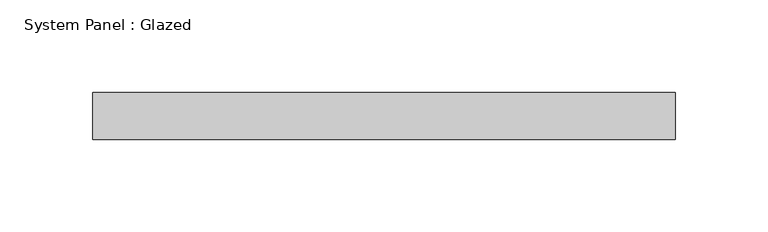
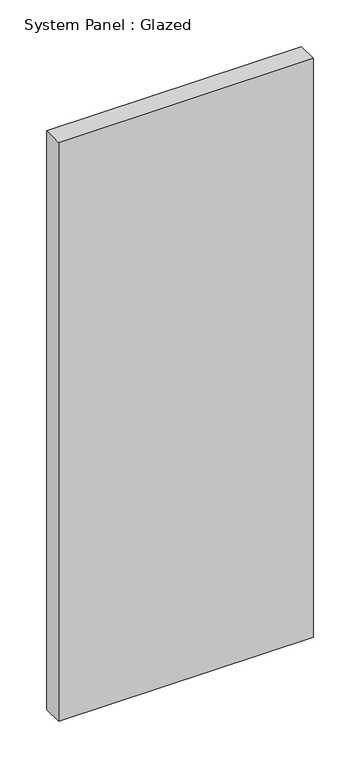
"""IFC4 building model written with IfcOpenShell, lengths in millimetres: plate geometry, System Panel : Glazed."""

import ifcopenshell
import ifcopenshell.guid

model = None  # the IFC model being written
_history = None  # IfcOwnerHistory: only IFC2X3 demands one
_inside = {}  # id of a spatial element -> (the spatial element, [elements in it])
_under = {}  # id of a project, library or spatial element -> (it, [spatial elements below it])
_declared = {}  # id of a project -> (the project, [libraries it declares])
_typed = {}  # id of a type object -> (the type object, [elements of that type])
_made_of = {}  # id of a material, layer set ... -> (it, [elements and type objects made of it])


def new_model(schema):
    """Start an empty IFC model of exactly this schema.

    Asked for "IFC4X3", IfcOpenShell would pick the latest addendum, in which some entities
    have other attributes; the version numbers below select the first issue.
    IFC2X3 requires an IfcOwnerHistory on every rooted entity: one is made here for all.
    """
    global model, _history
    if schema == "IFC4X3":
        model = ifcopenshell.file(schema_version=(4, 3, 0, 0))
    else:
        model = ifcopenshell.file(schema=schema)
    _inside.clear()
    _under.clear()
    _declared.clear()
    _typed.clear()
    _made_of.clear()
    _history = None
    if model.schema == "IFC2X3":
        org = make("IfcOrganization", Name="unknown")
        user = make(
            "IfcPersonAndOrganization",
            ThePerson=make("IfcPerson", FamilyName="unknown"),
            TheOrganization=org,
        )
        app = make(
            "IfcApplication",
            ApplicationDeveloper=org,
            Version="unknown",
            ApplicationFullName="unknown",
            ApplicationIdentifier="unknown",
        )
        _history = make(
            "IfcOwnerHistory",
            OwningUser=user,
            OwningApplication=app,
            ChangeAction="ADDED",
            CreationDate=0,
        )
    return model


def make(cls, **values):
    """One entity of the class cls with the attributes given. An attribute that is None is left unset."""
    return model.create_entity(
        cls, **{name: value for name, value in values.items() if value is not None}
    )


def rooted(cls, **values):
    """An entity with a GlobalId (a new one), such as an element, a storey or a relation."""
    return make(cls, GlobalId=ifcopenshell.guid.new(), OwnerHistory=_history, **values)


def si_unit(unit_type, name, prefix=None):
    """IfcSIUnit, for example si_unit("LENGTHUNIT", "METRE", prefix="MILLI")."""
    return make("IfcSIUnit", UnitType=unit_type, Prefix=prefix, Name=name)


def assignment(units):
    """IfcUnitAssignment: the units of a project."""
    return None if units is None else make("IfcUnitAssignment", Units=units)


def point(xyz):
    """IfcCartesianPoint."""
    return None if xyz is None else make("IfcCartesianPoint", Coordinates=xyz)


def direction(xyz):
    """IfcDirection."""
    return None if xyz is None else make("IfcDirection", DirectionRatios=xyz)


def frame(location, z_axis=None, x_axis=None):
    """IfcAxis2Placement3D, a coordinate frame: its origin and axes. An axis left out is left unset."""
    return make(
        "IfcAxis2Placement3D",
        Location=point(location),
        Axis=direction(z_axis),
        RefDirection=direction(x_axis),
    )


def origin():
    """The frame at (0, 0, 0) with its axes left unset."""
    return frame((0.0, 0.0, 0.0))


def origin_with_axes():
    """The frame at (0, 0, 0) with the z axis (0, 0, 1) and the x axis (1, 0, 0) written out."""
    return frame((0.0, 0.0, 0.0), z_axis=(0.0, 0.0, 1.0), x_axis=(1.0, 0.0, 0.0))


def place(relative_to, where):
    """IfcLocalPlacement: puts the frame where relative to a parent placement (None: the world)."""
    return make(
        "IfcLocalPlacement", PlacementRelTo=relative_to, RelativePlacement=where
    )


def context(
    kind, dimensions, precision=None, world=None, true_north=None, identifier=None
):
    """IfcGeometricRepresentationContext, for example the 3D "Model" context."""
    return make(
        "IfcGeometricRepresentationContext",
        ContextIdentifier=identifier,
        ContextType=kind,
        CoordinateSpaceDimension=dimensions,
        Precision=precision,
        WorldCoordinateSystem=world,
        TrueNorth=true_north,
    )


def project(units=None, contexts=None):
    """IfcProject with its units and contexts."""
    return rooted(
        "IfcProject",
        Name="project",
        RepresentationContexts=contexts,
        UnitsInContext=assignment(units),
    )


def spatial(cls, under=None, at=None, **own):
    """A site, building, storey or space (cls), placed at a placement, below another one or the project."""
    s = rooted(cls, ObjectPlacement=at, **own)
    if under is not None:
        _under.setdefault(under.id(), (under, []))[1].append(s)
    return s


def polyline(points):
    """IfcPolyline through the points."""
    return make("IfcPolyline", Points=[point(p) for p in points])


def outline(outer, holes=None, kind="AREA"):
    """IfcArbitraryClosedProfileDef: a profile drawn as a closed curve; with holes, ...WithVoids."""
    if holes is None:
        return make("IfcArbitraryClosedProfileDef", ProfileType=kind, OuterCurve=outer)
    return make(
        "IfcArbitraryProfileDefWithVoids",
        ProfileType=kind,
        OuterCurve=outer,
        InnerCurves=holes,
    )


def extrude(swept, where, along, depth):
    """IfcExtrudedAreaSolid: the profile swept, set in the frame where, extruded along a direction by depth."""
    return make(
        "IfcExtrudedAreaSolid",
        SweptArea=swept,
        Position=where,
        ExtrudedDirection=direction(along),
        Depth=depth,
    )


def shape(context_of_items, identifier, shape_type, items):
    """IfcShapeRepresentation: the items that make up one representation, for example the "Body"."""
    return make(
        "IfcShapeRepresentation",
        ContextOfItems=context_of_items,
        RepresentationIdentifier=identifier,
        RepresentationType=shape_type,
        Items=items,
    )


def source(mapping_origin, context_of_items, identifier, shape_type, items):
    """IfcRepresentationMap: a shape defined once, which mapped items show again and again."""
    return make(
        "IfcRepresentationMap",
        MappingOrigin=mapping_origin,
        MappedRepresentation=shape(context_of_items, identifier, shape_type, items),
    )


def transform(
    local_origin,
    x_axis=None,
    y_axis=None,
    z_axis=None,
    scale=None,
    scale2=None,
    scale3=None,
    uniform=True,
):
    """IfcCartesianTransformationOperator3D, or its non-uniform kind. x_axis, y_axis, z_axis: its Axis1, 2, 3."""
    if uniform:
        return make(
            "IfcCartesianTransformationOperator3D",
            Axis1=direction(x_axis),
            Axis2=direction(y_axis),
            LocalOrigin=point(local_origin),
            Scale=scale,
            Axis3=direction(z_axis),
        )
    return make(
        "IfcCartesianTransformationOperator3DnonUniform",
        Axis1=direction(x_axis),
        Axis2=direction(y_axis),
        LocalOrigin=point(local_origin),
        Scale=scale,
        Axis3=direction(z_axis),
        Scale2=scale2,
        Scale3=scale3,
    )


def mapped(mapping_source, mapping_target):
    """IfcMappedItem: shows the shape of a source again, moved by a transform."""
    return make(
        "IfcMappedItem", MappingSource=mapping_source, MappingTarget=mapping_target
    )


def made_of(thing, what):
    """Note that an element or type object is made of a material, layer set ...; save() writes the relation."""
    if what is not None:
        _made_of.setdefault(what.id(), (what, []))[1].append(thing)
    return thing


def element(
    cls,
    number,
    at=None,
    inside=None,
    cuts=None,
    type_object=None,
    material=None,
    context=None,
    identifier="Body",
    shape_type=None,
    held_by="IfcProductDefinitionShape",
    body=None,
    shapes=None,
    **own,
):
    """One element of the class cls, such as IfcWall. Its Tag is "e" and its number.

    at: its placement. inside: the storey or other place that contains it. cuts: it is an
    opening in that element (IfcRelVoidsElement). A single representation is given by context,
    identifier, shape_type and body (its items); several are given by shapes. held_by: the class
    of the entity that holds the representations. save() writes the other relations.
    """
    e = rooted(cls, Tag="e%d" % number, ObjectPlacement=at, **own)
    if body is not None:
        shapes = [shape(context, identifier, shape_type, body)]
    if shapes is not None:
        e.Representation = make(held_by, Representations=shapes)
    if inside is not None:
        _inside.setdefault(inside.id(), (inside, []))[1].append(e)
    if cuts is not None:
        rooted(
            "IfcRelVoidsElement", RelatingBuildingElement=cuts, RelatedOpeningElement=e
        )
    if type_object is not None:
        _typed.setdefault(type_object.id(), (type_object, []))[1].append(e)
    return made_of(e, material)


def aggregate(whole, parts):
    """IfcRelAggregates: a whole, such as a stair, and the parts it consists of."""
    return rooted("IfcRelAggregates", RelatingObject=whole, RelatedObjects=parts)


def save(model, path):
    """Write the relations noted so far, then the file.

    IfcRelAggregates (storeys below a building ...), IfcRelContainedInSpatialStructure (elements
    in a storey), IfcRelDefinesByType, IfcRelAssociatesMaterial and IfcRelDeclares: one each for
    every whole, place, type object, material and project.
    """
    for whole, parts in _under.values():
        aggregate(whole, parts)
    for where, things in _inside.values():
        rooted(
            "IfcRelContainedInSpatialStructure",
            RelatedElements=things,
            RelatingStructure=where,
        )
    for kind, things in _typed.values():
        rooted("IfcRelDefinesByType", RelatedObjects=things, RelatingType=kind)
    for what, things in _made_of.values():
        rooted("IfcRelAssociatesMaterial", RelatedObjects=things, RelatingMaterial=what)
    for by, libraries in _declared.values():
        rooted("IfcRelDeclares", RelatingContext=by, RelatedDefinitions=libraries)
    model.write(path)


def system_panel_glazed_03140ebc(model_context):
    return source(origin(), model_context, "Body", "SweptSolid", [
        extrude(outline(polyline([(157.375, 19.05), (-157.375, 19.05), (-157.375, 44.45), (157.375, 44.45), (157.375, 19.05)])), origin_with_axes(), (0.0, 0.0, 1.0), 756.5),
    ])


if __name__ == "__main__":
    model = new_model("IFC4")
    model_context = context("Model", 3, world=origin())
    ifc_project = project(units=[si_unit("LENGTHUNIT", "METRE", prefix="MILLI")], contexts=[model_context])
    site = spatial("IfcSite", under=ifc_project)
    building = spatial("IfcBuilding", under=site)
    placement = place(None, origin())
    system_panel_glazed_shape = system_panel_glazed_03140ebc(model_context)
    element("IfcPlate", 1, ObjectType="System Panel : Glazed", at=placement, inside=building, context=model_context, shape_type="MappedRepresentation", body=[
        mapped(system_panel_glazed_shape, transform((0.0, 0.0, 0.0), x_axis=(1.0, 0.0, 0.0), y_axis=(0.0, 1.0, 0.0), z_axis=(0.0, 0.0, 1.0))),
    ])
    save(model, "model.ifc")
